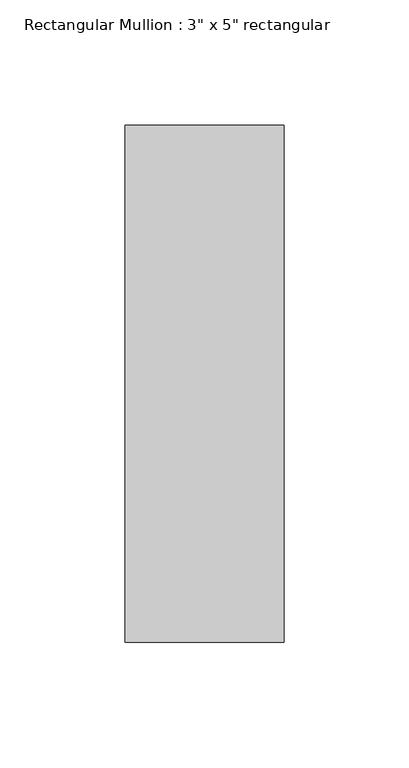
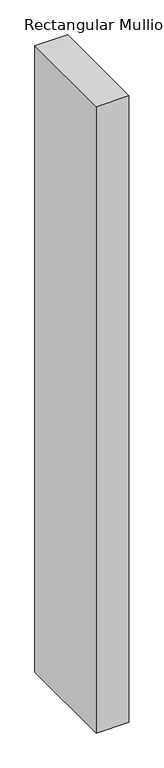
"""IFC4 building model written with IfcOpenShell, lengths in millimetres: member geometry."""

from ifc_helpers import new_model, si_unit, frame, origin, place, context, project, spatial, polyline, outline, extrude, source, transform, mapped, element, save


def member_5b87e2bf(model_context):
    return source(origin(), model_context, "Body", "SweptSolid", [
        extrude(outline(polyline([(31.75, 90.551), (31.75, -115.951), (-31.75, -115.951), (-31.75, 90.551), (31.75, 90.551)])), frame((0.0, 0.0, -1286.4680248), z_axis=(0.0, 0.0, 1.0), x_axis=(1.0, 0.0, 0.0)), (0.0, 0.0, 1.0), 1286.4680248),
    ])


if __name__ == "__main__":
    model = new_model("IFC4")
    model_context = context("Model", 3, world=origin())
    ifc_project = project(units=[si_unit("LENGTHUNIT", "METRE", prefix="MILLI")], contexts=[model_context])
    site = spatial("IfcSite", under=ifc_project)
    building = spatial("IfcBuilding", under=site)
    placement = place(None, origin())
    member_shape = member_5b87e2bf(model_context)
    element("IfcMember", 1, ObjectType="Rectangular Mullion : 3\" x 5\" rectangular", at=placement, inside=building, context=model_context, shape_type="MappedRepresentation", body=[
        mapped(member_shape, transform((0.0, 0.0, 0.0), x_axis=(1.0, 0.0, 0.0), y_axis=(0.0, 1.0, 0.0), z_axis=(0.0, 0.0, 1.0))),
    ])
    save(model, "model.ifc")
